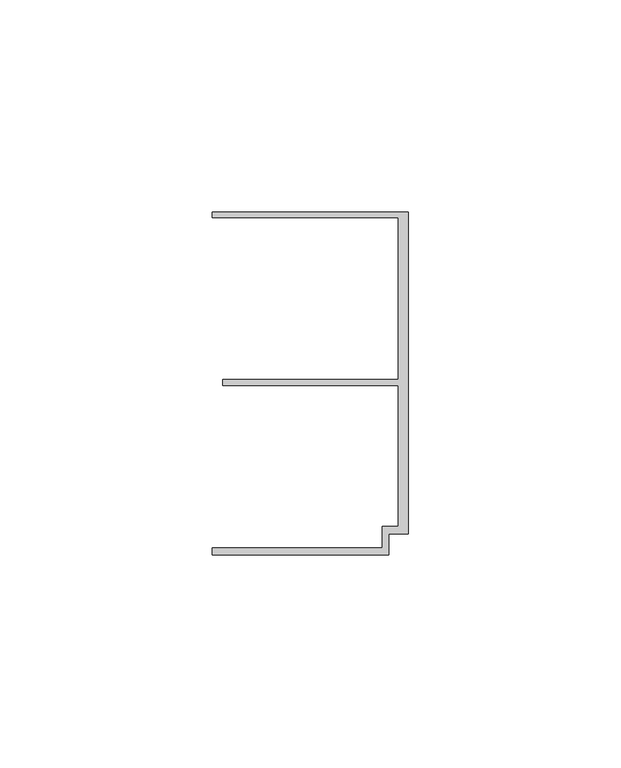
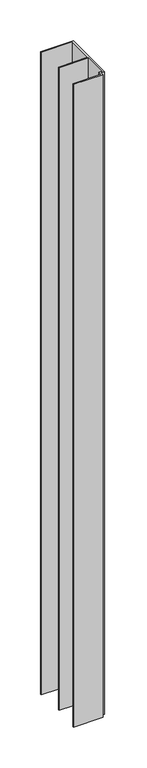
"""IFC4 building model written with IfcOpenShell, lengths in millimetres: member geometry."""

from ifc_helpers import new_model, si_unit, frame, origin, place, context, project, spatial, polyline, outline, extrude, source, transform, mapped, element, save


def member_e8397d56(model_context):
    return source(origin(), model_context, "Body", "SweptSolid", [
        extrude(outline(polyline([(-6.2, -33.95), (-2.4, -33.95), (-2.4, -0.75), (-43.8, -0.75), (-43.8, 0.75), (-2.4, 0.75), (-2.4, 38.95), (-46.3, 38.95), (-46.3, 40.25), (0.0, 40.25), (0.0, -35.75), (-4.6999992, -35.75), (-4.6999992, -40.65), (-46.3, -40.65), (-46.3, -38.95), (-6.2, -38.95), (-6.2, -33.95)])), frame((0.0, 0.0, -961.7594583), z_axis=(0.0, 0.0, 1.0), x_axis=(1.0, 0.0, 0.0)), (0.0, 0.0, 1.0), 961.7594583),
    ])


if __name__ == "__main__":
    model = new_model("IFC4")
    model_context = context("Model", 3, world=origin())
    ifc_project = project(units=[si_unit("LENGTHUNIT", "METRE", prefix="MILLI")], contexts=[model_context])
    site = spatial("IfcSite", under=ifc_project)
    building = spatial("IfcBuilding", under=site)
    placement = place(None, origin())
    member_shape = member_e8397d56(model_context)
    element("IfcMember", 1, at=placement, inside=building, context=model_context, shape_type="MappedRepresentation", body=[
        mapped(member_shape, transform((0.0, 0.0, 0.0), x_axis=(1.0, 0.0, 0.0), y_axis=(0.0, 1.0, 0.0), z_axis=(0.0, 0.0, 1.0))),
    ])
    save(model, "model.ifc")
